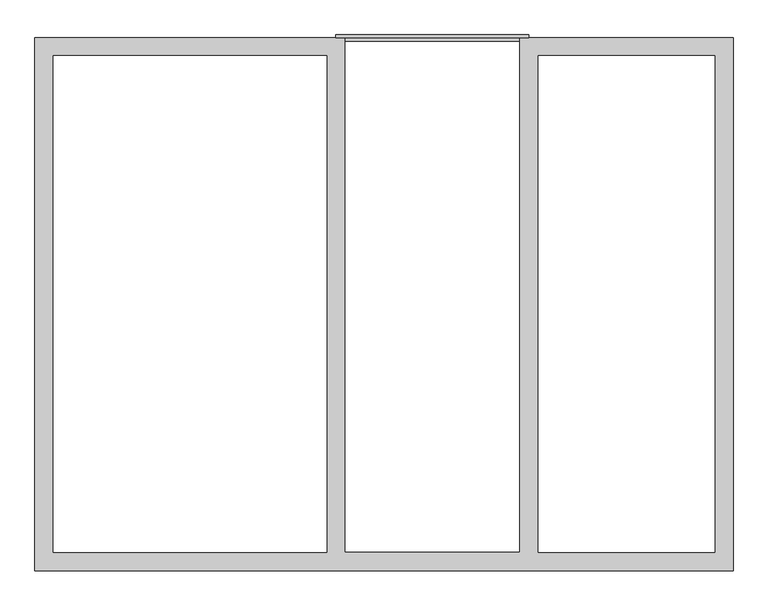
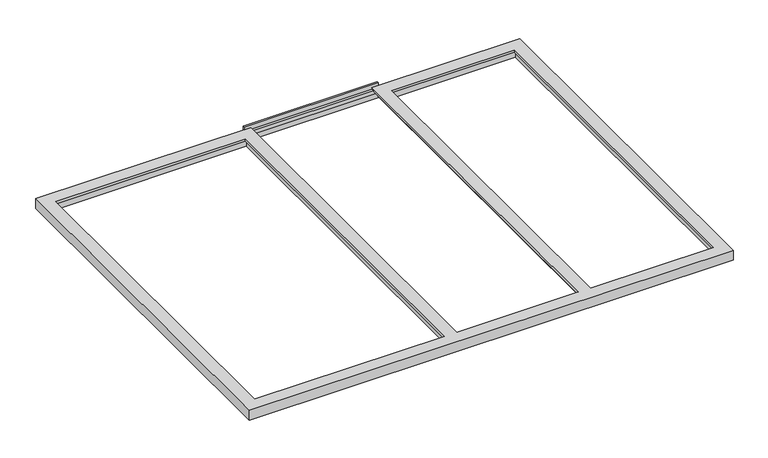
"""IFC4 building model written with IfcOpenShell, lengths in millimetres: proxy geometry."""

from ifc_helpers import new_model, si_unit, frame, origin, place, context, project, spatial, polyline, outline, extrude, faceted_brep, source, transform, mapped, element, save


def generic_models_870478b2(model_context):
    return source(origin(), model_context, "Body", "SolidModel", [
        extrude(outline(polyline([(12.0, -86.0), (0.0, -86.0), (0.0, -37.0), (-18.0, -37.0), (-18.0, -12.0), (0.0, -12.0), (0.0, 19.0), (12.0, 19.0), (12.0, -86.0)])), frame((1373.0, 0.0, 0.0), z_axis=(1.0, 0.0, 0.0), x_axis=(0.0, 1.0, 0.0)), (0.0, 0.0, 1.0), 883.0),
        faceted_brep([(0.0, 0.0, 0.0), (1414.5, 0.0, 0.0), (1414.5, 0.0, -16.0), (1399.5, 0.0, -16.0), (1399.5, 0.0, -37.0), (1379.5, 0.0, -37.0), (1379.5, 0.0, -68.0), (0.0, 0.0, -68.0), (0.0, -2436.4, -68.0), (3188.0, -2436.4, -68.0), (3188.0, -2436.4, 0.0), (0.0, -2436.4, 0.0), (1379.5, -2388.4, -68.0), (2249.5, -2388.4, -68.0), (2249.5, 0.0, -68.0), (3188.0, 0.0, -68.0), (65.0, -65.0, -68.0), (65.0, -2371.4, -68.0), (1349.5, -2371.4, -68.0), (1349.5, -65.0, -68.0), (2279.5, -2371.4, -68.0), (3123.0, -2371.4, -68.0), (3123.0, -65.0, -68.0), (2279.5, -65.0, -68.0), (65.0, -65.0, -16.0), (65.0, -2371.4, -16.0), (1349.5, -65.0, -16.0), (1349.5, -2371.4, -16.0), (83.0, -83.0, -16.0), (83.0, -2353.4, -16.0), (1331.5, -2353.4, -16.0), (1331.5, -83.0, -16.0), (83.0, -83.0, 0.0), (83.0, -2353.4, 0.0), (3188.0, 0.0, 0.0), (2214.5, 0.0, 0.0), (2214.5, -2353.4, 0.0), (1414.5, -2353.4, 0.0), (1331.5, -83.0, 0.0), (1331.5, -2353.4, 0.0), (3105.0, -2353.4, 0.0), (2297.5, -2353.4, 0.0), (2297.5, -83.0, 0.0), (3105.0, -83.0, 0.0), (1379.5, -2388.4, -37.0), (1399.5, -2368.4, -16.0), (1399.5, -2368.4, -37.0), (2229.5, -2368.4, -37.0), (2229.5, 0.0, -37.0), (2249.5, 0.0, -37.0), (2249.5, -2388.4, -37.0), (1414.5, -2353.4, -16.0), (2214.5, -2353.4, -16.0), (2214.5, 0.0, -16.0), (2229.5, 0.0, -16.0), (2229.5, -2368.4, -16.0), (2279.5, -65.0, -16.0), (2279.5, -2371.4, -16.0), (3123.0, -65.0, -16.0), (3123.0, -2371.4, -16.0), (3105.0, -2353.4, -16.0), (3105.0, -83.0, -16.0), (2297.5, -83.0, -16.0), (2297.5, -2353.4, -16.0)], [[[0, 1, 2, 3, 4, 5, 6, 7]], [[8, 9, 10, 11]], [[6, 12, 13, 14, 15, 9, 8, 7], [16, 17, 18, 19], [20, 21, 22, 23]], [[24, 25, 17, 16]], [[26, 27, 25, 24], [28, 29, 30, 31]], [[32, 33, 29, 28]], [[0, 11, 10, 34, 35, 36, 37, 1], [38, 39, 33, 32], [40, 41, 42, 43]], [[7, 8, 11, 0]], [[19, 18, 27, 26]], [[31, 30, 39, 38]], [[5, 44, 12, 6]], [[19, 26, 24, 16]], [[31, 38, 32, 28]], [[3, 45, 46, 4]], [[4, 46, 47, 48, 49, 50, 44, 5]], [[39, 30, 29, 33]], [[17, 25, 27, 18]], [[1, 37, 51, 2]], [[2, 51, 52, 53, 54, 55, 45, 3]], [[37, 36, 52, 51]], [[45, 55, 47, 46]], [[34, 15, 14, 49, 48, 54, 53, 35]], [[20, 23, 56, 57]], [[57, 56, 58, 59], [60, 61, 62, 63]], [[63, 62, 42, 41]], [[14, 13, 50, 49]], [[53, 52, 36, 35]], [[15, 34, 10, 9]], [[41, 40, 60, 63]], [[57, 59, 21, 20]], [[58, 22, 21, 59]], [[40, 43, 61, 60]], [[22, 58, 56, 23]], [[42, 62, 61, 43]], [[48, 47, 55, 54]], [[44, 50, 13, 12]]]),
    ])


if __name__ == "__main__":
    model = new_model("IFC4")
    model_context = context("Model", 3, world=origin())
    ifc_project = project(units=[si_unit("LENGTHUNIT", "METRE", prefix="MILLI")], contexts=[model_context])
    site = spatial("IfcSite", under=ifc_project)
    building = spatial("IfcBuilding", under=site)
    placement = place(None, origin())
    generic_models_shape = generic_models_870478b2(model_context)
    element("IfcBuildingElementProxy", 1, Name="Generic Models", at=placement, inside=building, context=model_context, shape_type="MappedRepresentation", body=[
        mapped(generic_models_shape, transform((0.0, 0.0, 0.0), x_axis=(1.0, 0.0, 0.0), y_axis=(0.0, 1.0, 0.0), z_axis=(0.0, 0.0, 1.0))),
    ])
    save(model, "model.ifc")
